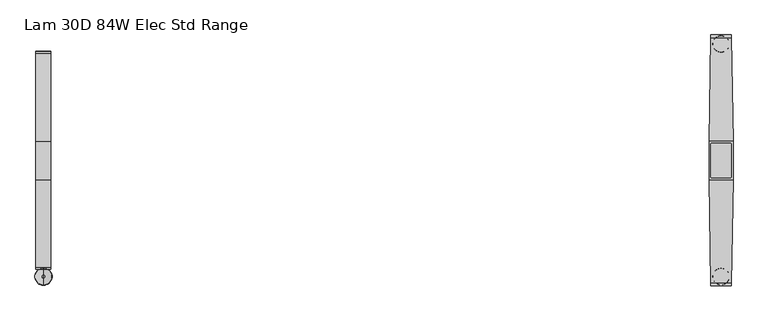
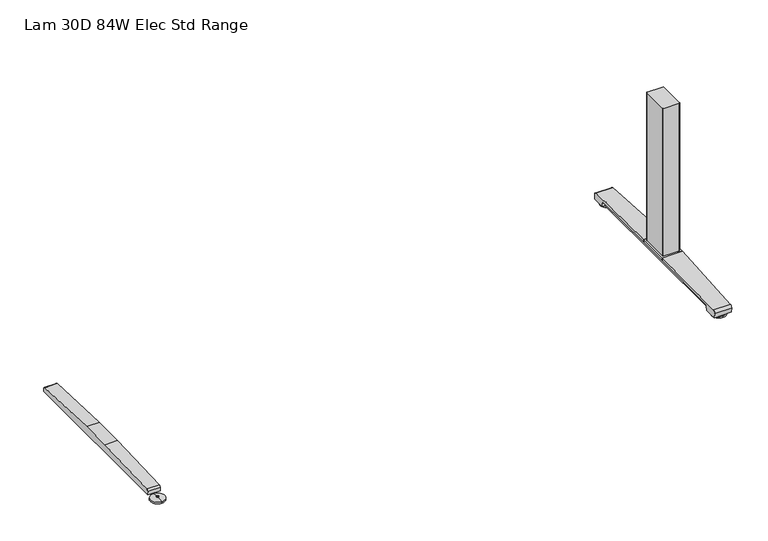
"""IFC4 building model written with IfcOpenShell, lengths in millimetres: furniture geometry, Lam 30D 84W Elec Std Range."""

import ifcopenshell
import ifcopenshell.guid

model = None  # the IFC model being written
_history = None  # IfcOwnerHistory: only IFC2X3 demands one
_inside = {}  # id of a spatial element -> (the spatial element, [elements in it])
_under = {}  # id of a project, library or spatial element -> (it, [spatial elements below it])
_declared = {}  # id of a project -> (the project, [libraries it declares])
_typed = {}  # id of a type object -> (the type object, [elements of that type])
_made_of = {}  # id of a material, layer set ... -> (it, [elements and type objects made of it])


def new_model(schema):
    """Start an empty IFC model of exactly this schema.

    Asked for "IFC4X3", IfcOpenShell would pick the latest addendum, in which some entities
    have other attributes; the version numbers below select the first issue.
    IFC2X3 requires an IfcOwnerHistory on every rooted entity: one is made here for all.
    """
    global model, _history
    if schema == "IFC4X3":
        model = ifcopenshell.file(schema_version=(4, 3, 0, 0))
    else:
        model = ifcopenshell.file(schema=schema)
    _inside.clear()
    _under.clear()
    _declared.clear()
    _typed.clear()
    _made_of.clear()
    _history = None
    if model.schema == "IFC2X3":
        org = make("IfcOrganization", Name="unknown")
        user = make(
            "IfcPersonAndOrganization",
            ThePerson=make("IfcPerson", FamilyName="unknown"),
            TheOrganization=org,
        )
        app = make(
            "IfcApplication",
            ApplicationDeveloper=org,
            Version="unknown",
            ApplicationFullName="unknown",
            ApplicationIdentifier="unknown",
        )
        _history = make(
            "IfcOwnerHistory",
            OwningUser=user,
            OwningApplication=app,
            ChangeAction="ADDED",
            CreationDate=0,
        )
    return model


def make(cls, **values):
    """One entity of the class cls with the attributes given. An attribute that is None is left unset."""
    return model.create_entity(
        cls, **{name: value for name, value in values.items() if value is not None}
    )


def rooted(cls, **values):
    """An entity with a GlobalId (a new one), such as an element, a storey or a relation."""
    return make(cls, GlobalId=ifcopenshell.guid.new(), OwnerHistory=_history, **values)


def si_unit(unit_type, name, prefix=None):
    """IfcSIUnit, for example si_unit("LENGTHUNIT", "METRE", prefix="MILLI")."""
    return make("IfcSIUnit", UnitType=unit_type, Prefix=prefix, Name=name)


def assignment(units):
    """IfcUnitAssignment: the units of a project."""
    return None if units is None else make("IfcUnitAssignment", Units=units)


def point(xyz):
    """IfcCartesianPoint."""
    return None if xyz is None else make("IfcCartesianPoint", Coordinates=xyz)


def direction(xyz):
    """IfcDirection."""
    return None if xyz is None else make("IfcDirection", DirectionRatios=xyz)


def frame(location, z_axis=None, x_axis=None):
    """IfcAxis2Placement3D, a coordinate frame: its origin and axes. An axis left out is left unset."""
    return make(
        "IfcAxis2Placement3D",
        Location=point(location),
        Axis=direction(z_axis),
        RefDirection=direction(x_axis),
    )


def frame_2d(location, x_axis=None):
    """IfcAxis2Placement2D, a coordinate frame in the plane: its origin and x axis."""
    return make(
        "IfcAxis2Placement2D", Location=point(location), RefDirection=direction(x_axis)
    )


def origin():
    """The frame at (0, 0, 0) with its axes left unset."""
    return frame((0.0, 0.0, 0.0))


def place(relative_to, where):
    """IfcLocalPlacement: puts the frame where relative to a parent placement (None: the world)."""
    return make(
        "IfcLocalPlacement", PlacementRelTo=relative_to, RelativePlacement=where
    )


def context(
    kind, dimensions, precision=None, world=None, true_north=None, identifier=None
):
    """IfcGeometricRepresentationContext, for example the 3D "Model" context."""
    return make(
        "IfcGeometricRepresentationContext",
        ContextIdentifier=identifier,
        ContextType=kind,
        CoordinateSpaceDimension=dimensions,
        Precision=precision,
        WorldCoordinateSystem=world,
        TrueNorth=true_north,
    )


def project(units=None, contexts=None):
    """IfcProject with its units and contexts."""
    return rooted(
        "IfcProject",
        Name="project",
        RepresentationContexts=contexts,
        UnitsInContext=assignment(units),
    )


def spatial(cls, under=None, at=None, **own):
    """A site, building, storey or space (cls), placed at a placement, below another one or the project."""
    s = rooted(cls, ObjectPlacement=at, **own)
    if under is not None:
        _under.setdefault(under.id(), (under, []))[1].append(s)
    return s


def polyline(points):
    """IfcPolyline through the points."""
    return make("IfcPolyline", Points=[point(p) for p in points])


def circle_curve(where, radius):
    """IfcCircle in the frame where."""
    return make("IfcCircle", Position=where, Radius=radius)


def ellipse_curve(where, semi_axis1, semi_axis2):
    """IfcEllipse in the frame where."""
    return make(
        "IfcEllipse", Position=where, SemiAxis1=semi_axis1, SemiAxis2=semi_axis2
    )


def trimmed(basis, trim1, trim2, sense, master):
    """IfcTrimmedCurve: the piece of a basis curve between two trims."""
    return make(
        "IfcTrimmedCurve",
        BasisCurve=basis,
        Trim1=trim1,
        Trim2=trim2,
        SenseAgreement=sense,
        MasterRepresentation=master,
    )


def segment(curve, same_sense, transition):
    """IfcCompositeCurveSegment."""
    return make(
        "IfcCompositeCurveSegment",
        Transition=transition,
        SameSense=same_sense,
        ParentCurve=curve,
    )


def composite_curve(segments, self_intersect=None):
    """IfcCompositeCurve: segments joined end to end."""
    return make("IfcCompositeCurve", Segments=segments, SelfIntersect=self_intersect)


def outline(outer, holes=None, kind="AREA"):
    """IfcArbitraryClosedProfileDef: a profile drawn as a closed curve; with holes, ...WithVoids."""
    if holes is None:
        return make("IfcArbitraryClosedProfileDef", ProfileType=kind, OuterCurve=outer)
    return make(
        "IfcArbitraryProfileDefWithVoids",
        ProfileType=kind,
        OuterCurve=outer,
        InnerCurves=holes,
    )


def extrude(swept, where, along, depth):
    """IfcExtrudedAreaSolid: the profile swept, set in the frame where, extruded along a direction by depth."""
    return make(
        "IfcExtrudedAreaSolid",
        SweptArea=swept,
        Position=where,
        ExtrudedDirection=direction(along),
        Depth=depth,
    )


def shape(context_of_items, identifier, shape_type, items):
    """IfcShapeRepresentation: the items that make up one representation, for example the "Body"."""
    return make(
        "IfcShapeRepresentation",
        ContextOfItems=context_of_items,
        RepresentationIdentifier=identifier,
        RepresentationType=shape_type,
        Items=items,
    )


def source(mapping_origin, context_of_items, identifier, shape_type, items):
    """IfcRepresentationMap: a shape defined once, which mapped items show again and again."""
    return make(
        "IfcRepresentationMap",
        MappingOrigin=mapping_origin,
        MappedRepresentation=shape(context_of_items, identifier, shape_type, items),
    )


def transform(
    local_origin,
    x_axis=None,
    y_axis=None,
    z_axis=None,
    scale=None,
    scale2=None,
    scale3=None,
    uniform=True,
):
    """IfcCartesianTransformationOperator3D, or its non-uniform kind. x_axis, y_axis, z_axis: its Axis1, 2, 3."""
    if uniform:
        return make(
            "IfcCartesianTransformationOperator3D",
            Axis1=direction(x_axis),
            Axis2=direction(y_axis),
            LocalOrigin=point(local_origin),
            Scale=scale,
            Axis3=direction(z_axis),
        )
    return make(
        "IfcCartesianTransformationOperator3DnonUniform",
        Axis1=direction(x_axis),
        Axis2=direction(y_axis),
        LocalOrigin=point(local_origin),
        Scale=scale,
        Axis3=direction(z_axis),
        Scale2=scale2,
        Scale3=scale3,
    )


def mapped(mapping_source, mapping_target):
    """IfcMappedItem: shows the shape of a source again, moved by a transform."""
    return make(
        "IfcMappedItem", MappingSource=mapping_source, MappingTarget=mapping_target
    )


def made_of(thing, what):
    """Note that an element or type object is made of a material, layer set ...; save() writes the relation."""
    if what is not None:
        _made_of.setdefault(what.id(), (what, []))[1].append(thing)
    return thing


def element(
    cls,
    number,
    at=None,
    inside=None,
    cuts=None,
    type_object=None,
    material=None,
    context=None,
    identifier="Body",
    shape_type=None,
    held_by="IfcProductDefinitionShape",
    body=None,
    shapes=None,
    **own,
):
    """One element of the class cls, such as IfcWall. Its Tag is "e" and its number.

    at: its placement. inside: the storey or other place that contains it. cuts: it is an
    opening in that element (IfcRelVoidsElement). A single representation is given by context,
    identifier, shape_type and body (its items); several are given by shapes. held_by: the class
    of the entity that holds the representations. save() writes the other relations.
    """
    e = rooted(cls, Tag="e%d" % number, ObjectPlacement=at, **own)
    if body is not None:
        shapes = [shape(context, identifier, shape_type, body)]
    if shapes is not None:
        e.Representation = make(held_by, Representations=shapes)
    if inside is not None:
        _inside.setdefault(inside.id(), (inside, []))[1].append(e)
    if cuts is not None:
        rooted(
            "IfcRelVoidsElement", RelatingBuildingElement=cuts, RelatedOpeningElement=e
        )
    if type_object is not None:
        _typed.setdefault(type_object.id(), (type_object, []))[1].append(e)
    return made_of(e, material)


def aggregate(whole, parts):
    """IfcRelAggregates: a whole, such as a stair, and the parts it consists of."""
    return rooted("IfcRelAggregates", RelatingObject=whole, RelatedObjects=parts)


def save(model, path):
    """Write the relations noted so far, then the file.

    IfcRelAggregates (storeys below a building ...), IfcRelContainedInSpatialStructure (elements
    in a storey), IfcRelDefinesByType, IfcRelAssociatesMaterial and IfcRelDeclares: one each for
    every whole, place, type object, material and project.
    """
    for whole, parts in _under.values():
        aggregate(whole, parts)
    for where, things in _inside.values():
        rooted(
            "IfcRelContainedInSpatialStructure",
            RelatedElements=things,
            RelatingStructure=where,
        )
    for kind, things in _typed.values():
        rooted("IfcRelDefinesByType", RelatedObjects=things, RelatingType=kind)
    for what, things in _made_of.values():
        rooted("IfcRelAssociatesMaterial", RelatedObjects=things, RelatingMaterial=what)
    for by, libraries in _declared.values():
        rooted("IfcRelDeclares", RelatingContext=by, RelatedDefinitions=libraries)
    model.write(path)


def plane_surface(at):
    """IfcPlane: the flat surface through the origin of the frame at, square to its z axis."""
    return make("IfcPlane", Position=at)


def cylinder_surface(at, radius):
    """IfcCylindricalSurface: all points at the distance radius from the z axis of the frame at."""
    return make("IfcCylindricalSurface", Position=at, Radius=radius)


def revolved_surface(curve, axis_point, axis_direction):
    """IfcSurfaceOfRevolution: the curve turned about the line through axis_point along axis_direction."""
    return make(
        "IfcSurfaceOfRevolution",
        SweptCurve=make("IfcArbitraryOpenProfileDef", ProfileType="CURVE", Curve=curve),
        AxisPosition=make("IfcAxis1Placement", Location=point(axis_point), Axis=direction(axis_direction)),
    )


def advanced_brep(points, edges, surfaces, faces):
    """IfcAdvancedBrep: a solid bounded by faces that lie on surfaces and meet in shared edges.

    An edge is (start, end): straight between two places in points (the first is 0);
    or (start, end, curve); or (start, end, curve, False) where it runs against its curve.
    A face is (place in surfaces, loops), or (place, loops, False) where it looks against
    its surface's normal. A loop lists edges by number (the first is 1), with a minus sign
    where the edge is run from its end to its start. The first loop is the outer one.
    """
    corners = [point(p) for p in points]
    vertices = [make("IfcVertexPoint", VertexGeometry=c) for c in corners]
    made = []
    for start, end, *more in edges:
        made.append(
            make(
                "IfcEdgeCurve",
                EdgeStart=vertices[start],
                EdgeEnd=vertices[end],
                EdgeGeometry=more[0] if more else make("IfcPolyline", Points=[corners[start], corners[end]]),
                SameSense=more[1] if len(more) > 1 else True,
            )
        )
    hull = []
    for where, loops, *sense in faces:
        bounds = []
        for j, loop in enumerate(loops):
            ring = [make("IfcOrientedEdge", EdgeElement=made[abs(k) - 1], Orientation=k > 0) for k in loop]
            bounds.append(
                make(
                    "IfcFaceOuterBound" if j == 0 else "IfcFaceBound",
                    Bound=make("IfcEdgeLoop", EdgeList=ring),
                    Orientation=True,
                )
            )
        hull.append(make("IfcAdvancedFace", Bounds=bounds, FaceSurface=surfaces[where], SameSense=sense[0] if sense else True))
    return make("IfcAdvancedBrep", Outer=make("IfcClosedShell", CfsFaces=hull))


def lam_30d_84w_elec_std_range_c5ddc75f(model_context):
    return source(origin(), model_context, "Body", "SolidModel", [
        advanced_brep(
        [(-989.076, -364.1643617, 0.0), (-989.076, -313.9743384, 0.0), (-989.076, -339.06935, 0.0), (-989.076, -364.0796512, 5.0038001), (-989.076, -314.0590489, 5.0038001), (-989.076, -343.0698499, 8.4327997), (-989.076, -335.0688501, 8.4327997), (-989.076, -343.0698499, 10.0423733), (-989.076, -335.0688501, 10.0423733), (-989.076, -339.06935, 10.0423733)],
        [
            (0, 1, circle_curve(frame((-989.076, -339.06935, 0.0), z_axis=(0.0, 0.0, -1.0), x_axis=(0.0, 1.0, 0.0)), 25.0950117)),
            (1, 2),
            (2, 0),
            (1, 0, circle_curve(frame((-989.076, -339.06935, 0.0), z_axis=(0.0, 0.0, -1.0), x_axis=(0.0, 1.0, 0.0)), 25.0950117)),
            (3, 4, circle_curve(frame((-989.076, -339.06935, 5.0038001), z_axis=(0.0, 0.0, -1.0), x_axis=(0.0, 1.0, 0.0)), 25.0103012)),
            (4, 1),
            (0, 3),
            (4, 3, circle_curve(frame((-989.076, -339.06935, 5.0038001), z_axis=(0.0, 0.0, -1.0), x_axis=(0.0, 1.0, 0.0)), 25.0103012)),
            (5, 6, circle_curve(frame((-989.076, -339.06935, 8.4327997), z_axis=(0.0, 0.0, -1.0), x_axis=(0.0, 1.0, 0.0)), 4.0004999)),
            (6, 4, circle_curve(frame((-989.076, -335.0368668, -57.4502444), z_axis=(-1.0, 0.0, 0.0), x_axis=(0.0, 1.0, 0.0)), 65.8830518)),
            (3, 5, circle_curve(frame((-989.076, -343.1018333, -57.4502444), z_axis=(-1.0, 0.0, 0.0), x_axis=(0.0, -1.0, 0.0)), 65.8830518)),
            (6, 5, circle_curve(frame((-989.076, -339.06935, 8.4327997), z_axis=(0.0, 0.0, -1.0), x_axis=(0.0, 1.0, 0.0)), 4.0004999)),
            (7, 8, circle_curve(frame((-989.076, -339.06935, 10.0423733), z_axis=(0.0, 0.0, -1.0), x_axis=(0.0, 1.0, 0.0)), 4.0004999)),
            (8, 6),
            (5, 7),
            (8, 7, circle_curve(frame((-989.076, -339.06935, 10.0423733), z_axis=(0.0, 0.0, -1.0), x_axis=(0.0, 1.0, 0.0)), 4.0004999)),
            (9, 8),
            (7, 9),
        ],
        [
            plane_surface(frame((-989.076, -339.06935, 0.0), z_axis=(0.0, 0.0, -1.0), x_axis=(0.0, 1.0, 0.0))),
            revolved_surface(polyline([(-989.076, -313.9743384, 0.0), (-989.076, -314.0590489, 5.0038001)]), (-989.076, -339.06935, 0.0), (0.0, 0.0, 1.0)),
            revolved_surface(trimmed(ellipse_curve(frame((-989.076, -335.0368668, -57.4502444), z_axis=(1.0, 0.0, 0.0), x_axis=(0.0, 1.0, 0.0)), 65.8830518, 65.8830518), [point((-989.076, -314.0590489, 5.0038001))], [point((-989.076, -335.0688501, 8.4327997))], True, "CARTESIAN"), (-989.076, -339.06935, 0.0), (0.0, 0.0, 1.0)),
            cylinder_surface(frame((-989.076, -339.06935, 0.0), z_axis=(0.0, 0.0, 1.0), x_axis=(0.0, 1.0, 0.0)), 4.0004999),
            plane_surface(frame((-989.076, -339.06935, 10.0423733), z_axis=(0.0, 0.0, 1.0), x_axis=(0.0, 1.0, 0.0))),
        ],
        [
            (0, [[1, 2, 3]]),
            (0, [[4, -3, -2]]),
            (1, [[5, 6, -1, 7]]),
            (1, [[8, -7, -4, -6]]),
            (2, [[9, 10, -5, 11]]),
            (2, [[12, -11, -8, -10]]),
            (3, [[13, 14, -9, 15]]),
            (3, [[16, -15, -12, -14]]),
            (4, [[17, -13, 18]]),
            (4, [[-18, -16, -17]]),
        ],
    ),
        extrude(outline(composite_curve([segment(polyline([(317.3152602, 22.833301), (318.3038309, 11.5339019), (-318.3038309, 11.5339019), (-317.3152602, 22.833301)]), True, "CONTINUOUS"), segment(trimmed(circle_curve(frame_2d((-310.4929906, 22.2364289)), 6.8483297), [point((-317.3152602, 22.833301))], [point((-311.3603185, 29.0296138))], False, "CARTESIAN"), True, "CONTINUOUS"), segment(polyline([(-311.3603185, 29.0296138), (-56.1182127, 38.9541198), (56.1182127, 38.9541198), (311.3603185, 29.0296138)]), True, "CONTINUOUS"), segment(trimmed(circle_curve(frame_2d((310.4929906, 22.2364289)), 6.8483297), [point((311.3603185, 29.0296138))], [point((317.3152602, 22.833301))], False, "CARTESIAN"), True, "CONTINUOUS")], self_intersect=False)), frame((-1011.0724, 0.0, 0.0), z_axis=(1.0, 0.0, 0.0), x_axis=(0.0, 1.0, 0.0)), (0.0, 0.0, 1.0), 43.9928),
        extrude(outline(composite_curve([segment(trimmed(circle_curve(frame_2d((1016.6521079, 47.6421079)), 2.3323921), [point((1016.6521079, 49.9745))], [point((1018.9845, 47.6421079))], False, "CARTESIAN"), True, "CONTINUOUS"), segment(polyline([(1018.9845, 47.6421079), (1018.9845, -47.6421079)]), True, "CONTINUOUS"), segment(trimmed(circle_curve(frame_2d((1016.6521079, -47.6421079)), 2.3323921), [point((1018.9845, -47.6421079))], [point((1016.6521079, -49.9745))], False, "CARTESIAN"), True, "CONTINUOUS"), segment(polyline([(1016.6521079, -49.9745), (961.4998921, -49.9745)]), True, "CONTINUOUS"), segment(trimmed(circle_curve(frame_2d((961.4998921, -47.6421079)), 2.3323921), [point((961.4998921, -49.9745))], [point((959.1675, -47.6421079))], False, "CARTESIAN"), True, "CONTINUOUS"), segment(polyline([(959.1675, -47.6421079), (959.1675, 47.6421079)]), True, "CONTINUOUS"), segment(trimmed(circle_curve(frame_2d((961.4998921, 47.6421079)), 2.3323921), [point((959.1675, 47.6421079))], [point((961.4998921, 49.9745))], False, "CARTESIAN"), True, "CONTINUOUS"), segment(polyline([(961.4998921, 49.9745), (1016.6521079, 49.9745)]), True, "CONTINUOUS")], self_intersect=False)), frame((0.0, 0.0, 48.10013), z_axis=(0.0, 0.0, 1.0), x_axis=(1.0, 0.0, 0.0)), (0.0, 0.0, 1.0), 550.9989485),
        advanced_brep(
        [(989.076, 314.8489737, 0.0), (989.076, 365.038997, 0.0), (989.076, 339.9439854, 0.0), (989.076, 314.9336842, 5.0038001), (989.076, 364.9542866, 5.0038001), (989.076, 335.9434855, 8.4327997), (989.076, 343.9444853, 8.4327997), (989.076, 335.9434855, 10.0423733), (989.076, 343.9444853, 10.0423733), (989.076, 339.9439854, 10.0423733)],
        [
            (0, 1, circle_curve(frame((989.076, 339.9439854, 0.0), z_axis=(0.0, 0.0, -1.0), x_axis=(0.0, 1.0, 0.0)), 25.0950117)),
            (1, 2),
            (2, 0),
            (1, 0, circle_curve(frame((989.076, 339.9439854, 0.0), z_axis=(0.0, 0.0, -1.0), x_axis=(0.0, 1.0, 0.0)), 25.0950117)),
            (3, 4, circle_curve(frame((989.076, 339.9439854, 5.0038001), z_axis=(0.0, 0.0, -1.0), x_axis=(0.0, 1.0, 0.0)), 25.0103012)),
            (4, 1),
            (0, 3),
            (4, 3, circle_curve(frame((989.076, 339.9439854, 5.0038001), z_axis=(0.0, 0.0, -1.0), x_axis=(0.0, 1.0, 0.0)), 25.0103012)),
            (5, 6, circle_curve(frame((989.076, 339.9439854, 8.4327997), z_axis=(0.0, 0.0, -1.0), x_axis=(0.0, 1.0, 0.0)), 4.0004999)),
            (6, 4, circle_curve(frame((989.076, 343.9764687, -57.4502444), z_axis=(-1.0, 0.0, 0.0), x_axis=(0.0, 1.0, 0.0)), 65.8830518)),
            (3, 5, circle_curve(frame((989.076, 335.9115021, -57.4502444), z_axis=(-1.0, 0.0, 0.0), x_axis=(0.0, -1.0, 0.0)), 65.8830518)),
            (6, 5, circle_curve(frame((989.076, 339.9439854, 8.4327997), z_axis=(0.0, 0.0, -1.0), x_axis=(0.0, 1.0, 0.0)), 4.0004999)),
            (7, 8, circle_curve(frame((989.076, 339.9439854, 10.0423733), z_axis=(0.0, 0.0, -1.0), x_axis=(0.0, 1.0, 0.0)), 4.0004999)),
            (8, 6),
            (5, 7),
            (8, 7, circle_curve(frame((989.076, 339.9439854, 10.0423733), z_axis=(0.0, 0.0, -1.0), x_axis=(0.0, 1.0, 0.0)), 4.0004999)),
            (9, 8),
            (7, 9),
        ],
        [
            plane_surface(frame((989.076, 339.9439854, 0.0), z_axis=(0.0, 0.0, -1.0), x_axis=(0.0, 1.0, 0.0))),
            revolved_surface(polyline([(989.076, 365.038997, 0.0), (989.076, 364.9542866, 5.0038001)]), (989.076, 339.9439854, 0.0), (0.0, 0.0, 1.0)),
            revolved_surface(trimmed(ellipse_curve(frame((989.076, 343.9764687, -57.4502444), z_axis=(1.0, 0.0, 0.0), x_axis=(0.0, 1.0, 0.0)), 65.8830518, 65.8830518), [point((989.076, 364.9542866, 5.0038001))], [point((989.076, 343.9444853, 8.4327997))], True, "CARTESIAN"), (989.076, 339.9439854, 0.0), (0.0, 0.0, 1.0)),
            cylinder_surface(frame((989.076, 339.9439854, 0.0), z_axis=(0.0, 0.0, 1.0), x_axis=(0.0, 1.0, 0.0)), 4.0004999),
            plane_surface(frame((989.076, 339.9439854, 10.0423733), z_axis=(0.0, 0.0, 1.0), x_axis=(0.0, 1.0, 0.0))),
        ],
        [
            (0, [[1, 2, 3]]),
            (0, [[4, -3, -2]]),
            (1, [[5, 6, -1, 7]]),
            (1, [[8, -7, -4, -6]]),
            (2, [[9, 10, -5, 11]]),
            (2, [[12, -11, -8, -10]]),
            (3, [[13, 14, -9, 15]]),
            (3, [[16, -15, -12, -14]]),
            (4, [[17, -13, 18]]),
            (4, [[-18, -16, -17]]),
        ],
    ),
        advanced_brep(
        [(989.076, -364.1643617, 0.0), (989.076, -313.9743384, 0.0), (989.076, -339.06935, 0.0), (989.076, -364.0796512, 5.0038001), (989.076, -314.0590489, 5.0038001), (989.076, -343.0698499, 8.4327997), (989.076, -335.0688501, 8.4327997), (989.076, -343.0698499, 10.0423733), (989.076, -335.0688501, 10.0423733), (989.076, -339.06935, 10.0423733)],
        [
            (0, 1, circle_curve(frame((989.076, -339.06935, 0.0), z_axis=(0.0, 0.0, -1.0), x_axis=(0.0, 1.0, 0.0)), 25.0950117)),
            (1, 2),
            (2, 0),
            (1, 0, circle_curve(frame((989.076, -339.06935, 0.0), z_axis=(0.0, 0.0, -1.0), x_axis=(0.0, 1.0, 0.0)), 25.0950117)),
            (3, 4, circle_curve(frame((989.076, -339.06935, 5.0038001), z_axis=(0.0, 0.0, -1.0), x_axis=(0.0, 1.0, 0.0)), 25.0103012)),
            (4, 1),
            (0, 3),
            (4, 3, circle_curve(frame((989.076, -339.06935, 5.0038001), z_axis=(0.0, 0.0, -1.0), x_axis=(0.0, 1.0, 0.0)), 25.0103012)),
            (5, 6, circle_curve(frame((989.076, -339.06935, 8.4327997), z_axis=(0.0, 0.0, -1.0), x_axis=(0.0, 1.0, 0.0)), 4.0004999)),
            (6, 4, circle_curve(frame((989.076, -335.0368668, -57.4502444), z_axis=(-1.0, 0.0, 0.0), x_axis=(0.0, 1.0, 0.0)), 65.8830518)),
            (3, 5, circle_curve(frame((989.076, -343.1018333, -57.4502444), z_axis=(-1.0, 0.0, 0.0), x_axis=(0.0, -1.0, 0.0)), 65.8830518)),
            (6, 5, circle_curve(frame((989.076, -339.06935, 8.4327997), z_axis=(0.0, 0.0, -1.0), x_axis=(0.0, 1.0, 0.0)), 4.0004999)),
            (7, 8, circle_curve(frame((989.076, -339.06935, 10.0423733), z_axis=(0.0, 0.0, -1.0), x_axis=(0.0, 1.0, 0.0)), 4.0004999)),
            (8, 6),
            (5, 7),
            (8, 7, circle_curve(frame((989.076, -339.06935, 10.0423733), z_axis=(0.0, 0.0, -1.0), x_axis=(0.0, 1.0, 0.0)), 4.0004999)),
            (9, 8),
            (7, 9),
        ],
        [
            plane_surface(frame((989.076, -339.06935, 0.0), z_axis=(0.0, 0.0, -1.0), x_axis=(0.0, 1.0, 0.0))),
            revolved_surface(polyline([(989.076, -313.9743384, 0.0), (989.076, -314.0590489, 5.0038001)]), (989.076, -339.06935, 0.0), (0.0, 0.0, 1.0)),
            revolved_surface(trimmed(ellipse_curve(frame((989.076, -335.0368668, -57.4502444), z_axis=(1.0, 0.0, 0.0), x_axis=(0.0, 1.0, 0.0)), 65.8830518, 65.8830518), [point((989.076, -314.0590489, 5.0038001))], [point((989.076, -335.0688501, 8.4327997))], True, "CARTESIAN"), (989.076, -339.06935, 0.0), (0.0, 0.0, 1.0)),
            cylinder_surface(frame((989.076, -339.06935, 0.0), z_axis=(0.0, 0.0, 1.0), x_axis=(0.0, 1.0, 0.0)), 4.0004999),
            plane_surface(frame((989.076, -339.06935, 10.0423733), z_axis=(0.0, 0.0, 1.0), x_axis=(0.0, 1.0, 0.0))),
        ],
        [
            (0, [[1, 2, 3]]),
            (0, [[4, -3, -2]]),
            (1, [[5, 6, -1, 7]]),
            (1, [[8, -7, -4, -6]]),
            (2, [[9, 10, -5, 11]]),
            (2, [[12, -11, -8, -10]]),
            (3, [[13, 14, -9, 15]]),
            (3, [[16, -15, -12, -14]]),
            (4, [[17, -13, 18]]),
            (4, [[-18, -16, -17]]),
        ],
    ),
        extrude(outline(polyline([(1024.2068382, 56.1182127), (1024.2068382, -56.1182127), (953.9451618, -56.1182127), (953.9451618, 56.1182127), (1024.2068382, 56.1182127)])), frame((0.0, 0.0, 38.9541198), z_axis=(0.0, 0.0, 1.0), x_axis=(1.0, 0.0, 0.0)), (0.0, 0.0, 1.0), 9.1460102),
        advanced_brep(
        [(1018.7505896, 366.395, 26.8186), (1018.8822575, 358.907527, 35.7787117), (1024.2068382, 56.1182127, 48.10013), (1024.2068382, 56.1182127, 38.9541198), (1019.71838, 311.3603185, 29.0296138), (1019.6136618, 317.3152602, 22.833301), (1019.5939845, 318.4342309, 10.0434261), (1018.7760047, 364.9497362, 10.041053), (959.2701004, 358.907527, 35.7787117), (959.4017683, 366.395, 26.8186), (959.3763532, 364.9497362, 10.041053), (958.5583734, 318.4342309, 10.0434261), (958.5386962, 317.3152602, 22.833301), (958.4339779, 311.3603185, 29.0296138), (953.9455196, 56.1182064, 38.9541201), (953.9455197, 56.1182127, 48.10013)],
        [
            (0, 1, ellipse_curve(frame((1018.895738, 358.1409412, 27.5296273), z_axis=(0.9998454179622464, 0.017582382657107536, 0.0), x_axis=(0.0175823826571035, -0.9998454179622464, 0.0)), 8.285908, 8.2846272)),
            (1, 2, ellipse_curve(frame((1049.1288072, -1361.1024809, -38505.5680807), z_axis=(0.9998454179622464, 0.017582382657107536, 0.0), x_axis=(0.0175823826571035, -0.9998454179622464, 0.0)), 38585.6723619, 38579.7077101)),
            (2, 3),
            (3, 4),
            (4, 5, ellipse_curve(frame((1019.7336321, 310.4929906, 22.2364289), z_axis=(-0.9998454179622464, -0.017582382657107536, 0.0), x_axis=(-0.0175823826571035, 0.9998454179622464, 0.0)), 6.8493884, 6.8483297)),
            (5, 6),
            (6, 7),
            (7, 0),
            (8, 9, ellipse_curve(frame((959.2566199, 358.1409412, 27.5296273), z_axis=(-0.9998454179622479, 0.01758238265702136, 0.0), x_axis=(0.017582382657016074, 0.9998454179622479, 0.0)), 8.285908, 8.2846272)),
            (9, 10),
            (10, 11),
            (11, 12),
            (12, 13, ellipse_curve(frame((958.4187259, 310.4929906, 22.2364289), z_axis=(0.9998454179622479, -0.01758238265702136, 0.0), x_axis=(-0.017582382657016074, -0.9998454179622479, 0.0)), 6.8493884, 6.8483297)),
            (13, 14),
            (14, 15),
            (15, 8, ellipse_curve(frame((929.0235507, -1361.1024809, -38505.5680807), z_axis=(-0.9998454179622479, 0.01758238265702136, 0.0), x_axis=(0.017582382657016074, 0.9998454179622479, 0.0)), 38585.6723619, 38579.7077101)),
            (0, 9),
            (8, 1),
            (7, 10),
            (6, 11),
            (5, 12),
            (4, 13),
            (3, 14),
            (2, 15),
        ],
        [
            plane_surface(frame((1018.7226732, 367.9825, 48.10013), z_axis=(0.9998454179622464, 0.017582382657107536, 0.0), x_axis=(0.0, 0.0, -1.0))),
            plane_surface(frame((953.9455197, 56.1182127, 48.10013), z_axis=(-0.9998454179622479, 0.01758238265702136, 0.0), x_axis=(0.0, 0.0, -1.0))),
            cylinder_surface(frame((953.9451618, 358.1409412, 27.5296273), z_axis=(1.0, 0.0, 0.0), x_axis=(0.0, 1.0, 0.0)), 8.2846272),
            plane_surface(frame((1024.2068382, 364.9497362, 10.041053), z_axis=(0.0, 0.996310236870306, -0.08582489095498451), x_axis=(-1.0, 0.0, 0.0))),
            plane_surface(frame((1024.2068382, 318.4342309, 10.0434261), z_axis=(0.0, -5.101798419271786e-05, -0.9999999986985827), x_axis=(-1.0, 0.0, 0.0))),
            plane_surface(frame((1024.2068382, 317.3152602, 22.833301), z_axis=(0.0, -0.9961946873837872, -0.08715586514009506), x_axis=(-1.0, 0.0, 0.0))),
            revolved_surface(polyline([(958.2982973321847, 317.3413203, 22.2364289), (1019.8540606678159, 317.3413203, 22.2364289)]), (953.9451618, 310.4929906, 22.2364289), (-1.0, 0.0, 0.0)),
            plane_surface(frame((1024.2068382, 56.1182127, 38.9541198), z_axis=(0.0, -0.03885335543744916, -0.9992449233152257), x_axis=(-1.0, 0.0, 0.0))),
            plane_surface(frame((1024.2068382, 56.1182127, 48.10013), z_axis=(0.0, -1.0, 0.0), x_axis=(-1.0, 0.0, 0.0))),
            cylinder_surface(frame((953.9451618, -1361.1024809, -38505.5680807), z_axis=(1.0, 0.0, 0.0), x_axis=(0.0, 1.0, 0.0)), 38579.7077101),
        ],
        [
            (0, [[1, 2, 3, 4, 5, 6, 7, 8]]),
            (1, [[9, 10, 11, 12, 13, 14, 15, 16]]),
            (2, [[17, -9, 18, -1]]),
            (3, [[-17, -8, 19, -10]]),
            (4, [[-19, -7, 20, -11]]),
            (5, [[-20, -6, 21, -12]]),
            (6, [[-21, -5, 22, -13]]),
            (7, [[23, -14, -22, -4]]),
            (8, [[-23, -3, 24, -15]]),
            (9, [[-24, -2, -18, -16]]),
        ],
    ),
        extrude(outline(composite_curve([segment(polyline([(317.3152602, 22.833301), (318.3038309, 11.5339019), (-318.3038309, 11.5339019), (-317.3152602, 22.833301)]), True, "CONTINUOUS"), segment(trimmed(circle_curve(frame_2d((-310.4929906, 22.2364289)), 6.8483297), [point((-317.3152602, 22.833301))], [point((-311.3603185, 29.0296138))], False, "CARTESIAN"), True, "CONTINUOUS"), segment(polyline([(-311.3603185, 29.0296138), (-56.1182127, 38.9541198), (56.1182127, 38.9541198), (311.3603185, 29.0296138)]), True, "CONTINUOUS"), segment(trimmed(circle_curve(frame_2d((310.4929906, 22.2364289)), 6.8483297), [point((311.3603185, 29.0296138))], [point((317.3152602, 22.833301))], False, "CARTESIAN"), True, "CONTINUOUS")], self_intersect=False)), frame((967.0796, 0.0, 0.0), z_axis=(1.0, 0.0, 0.0), x_axis=(0.0, 1.0, 0.0)), (0.0, 0.0, 1.0), 43.9928),
        advanced_brep(
        [(1018.8822575, -358.907527, 35.7787117), (959.2701004, -358.907527, 35.7787117), (959.4017683, -366.395, 26.8186), (1018.7505896, -366.395, 26.8186), (959.3763532, -364.9497362, 10.041053), (1018.7760047, -364.9497362, 10.041053), (958.5583734, -318.4342309, 10.0434261), (1019.5939845, -318.4342309, 10.0434261), (958.5386962, -317.3152602, 22.833301), (1019.6136618, -317.3152602, 22.833301), (958.4339779, -311.3603185, 29.0296138), (1019.71838, -311.3603185, 29.0296138), (953.9451618, -56.1182127, 38.9541198), (1024.2068382, -56.1182127, 38.9541198), (953.9455197, -56.1182127, 48.10013), (1024.2068382, -56.1182127, 48.10013)],
        [
            (0, 1),
            (1, 2, ellipse_curve(frame((959.2566199, -358.1409412, 27.5296273), z_axis=(0.9998454179622465, 0.017582382657103688, 0.0), x_axis=(0.01758238265709472, -0.9998454179622466, 0.0)), 8.285908, 8.2846272)),
            (2, 3),
            (3, 0, ellipse_curve(frame((1018.895738, -358.1409412, 27.5296273), z_axis=(-0.9998454179622464, 0.017582382657105444, 0.0), x_axis=(0.01758238265710879, 0.9998454179622464, 0.0)), 8.285908, 8.2846272)),
            (2, 4),
            (4, 5),
            (5, 3),
            (4, 6),
            (6, 7),
            (7, 5),
            (6, 8),
            (8, 9),
            (9, 7),
            (8, 10, ellipse_curve(frame((958.4187259, -310.4929906, 22.2364289), z_axis=(-0.9998454179622465, -0.017582382657103688, 0.0), x_axis=(-0.01758238265709472, 0.9998454179622466, 0.0)), 6.8493884, 6.8483297)),
            (10, 11),
            (11, 9, ellipse_curve(frame((1019.7336321, -310.4929906, 22.2364289), z_axis=(0.9998454179622464, -0.017582382657105444, 0.0), x_axis=(-0.01758238265710879, -0.9998454179622464, 0.0)), 6.8493884, 6.8483297)),
            (12, 13),
            (13, 11),
            (10, 12),
            (12, 14),
            (14, 15),
            (15, 13),
            (15, 0, ellipse_curve(frame((1049.1288072, 1361.1024809, -38505.568082), z_axis=(0.9998454179622464, -0.017582382657105444, 0.0), x_axis=(0.01758238265710879, 0.9998454179622464, 0.0)), 38585.6723633, 38579.7077114)),
            (1, 14, ellipse_curve(frame((929.0235507, 1361.1024809, -38505.568082), z_axis=(-0.9998454179622465, -0.017582382657103688, 0.0), x_axis=(0.01758238265709472, -0.9998454179622466, 0.0)), 38585.6723633, 38579.7077114)),
        ],
        [
            cylinder_surface(frame((953.9451618, -358.1409412, 27.5296273), z_axis=(1.0, 0.0, 0.0), x_axis=(0.0, 1.0, 0.0)), 8.2846272),
            plane_surface(frame((1024.2068382, -366.395, 26.8186), z_axis=(0.0, -0.9963102368705579, -0.08582489095206026), x_axis=(-1.0, 0.0, 0.0))),
            plane_surface(frame((1024.2068382, -364.9497362, 10.041053), z_axis=(0.0, 5.10179839128194e-05, -0.9999999986985827), x_axis=(-1.0, 0.0, 0.0))),
            plane_surface(frame((1024.2068382, -318.4342309, 10.0434261), z_axis=(0.0, 0.9961946873837977, -0.08715586513997582), x_axis=(-1.0, 0.0, 0.0))),
            revolved_surface(polyline([(958.2982973321841, -303.64466089999996, 22.2364289), (1019.8540606678159, -303.64466089999996, 22.2364289)]), (953.9451618, -310.4929906, 22.2364289), (-1.0, 0.0, 0.0)),
            plane_surface(frame((1024.2068382, -311.3603185, 29.0296138), z_axis=(0.0, 0.03885335543746911, -0.999244923315225), x_axis=(-1.0, 0.0, 0.0))),
            plane_surface(frame((1024.2068382, -56.1182127, 38.9541198), z_axis=(0.0, 1.0, 0.0), x_axis=(-1.0, 0.0, 0.0))),
            plane_surface(frame((1024.2068382, -56.1182127, 48.10013), z_axis=(0.9998454179622464, -0.017582382657105444, 0.0), x_axis=(0.0, 0.0, -1.0))),
            plane_surface(frame((959.4296847, -367.9825, 48.10013), z_axis=(-0.9998454179622465, -0.017582382657103688, 0.0), x_axis=(0.0, 0.0, -1.0))),
            cylinder_surface(frame((953.9451618, 1361.1024809, -38505.568082), z_axis=(1.0, 0.0, 0.0), x_axis=(0.0, 1.0, 0.0)), 38579.7077114),
        ],
        [
            (0, [[1, 2, 3, 4]]),
            (1, [[-3, 5, 6, 7]]),
            (2, [[-6, 8, 9, 10]]),
            (3, [[-9, 11, 12, 13]]),
            (4, [[-12, 14, 15, 16]]),
            (5, [[17, 18, -15, 19]]),
            (6, [[-17, 20, 21, 22]]),
            (7, [[-4, -7, -10, -13, -16, -18, -22, 23]]),
            (8, [[-2, 24, -20, -19, -14, -11, -8, -5]]),
            (9, [[-21, -24, -1, -23]]),
        ],
    ),
    ])


if __name__ == "__main__":
    model = new_model("IFC4")
    model_context = context("Model", 3, world=origin())
    ifc_project = project(units=[si_unit("LENGTHUNIT", "METRE", prefix="MILLI")], contexts=[model_context])
    site = spatial("IfcSite", under=ifc_project)
    building = spatial("IfcBuilding", under=site)
    placement = place(None, origin())
    lam_30d_84w_elec_std_range_shape = lam_30d_84w_elec_std_range_c5ddc75f(model_context)
    element("IfcFurniture", 1, ObjectType="Lam 30D 84W Elec Std Range", at=placement, inside=building, context=model_context, shape_type="MappedRepresentation", body=[
        mapped(lam_30d_84w_elec_std_range_shape, transform((0.0, 0.0, 0.0), x_axis=(1.0, 0.0, 0.0), y_axis=(0.0, 1.0, 0.0), z_axis=(0.0, 0.0, 1.0))),
    ])
    save(model, "model.ifc")
